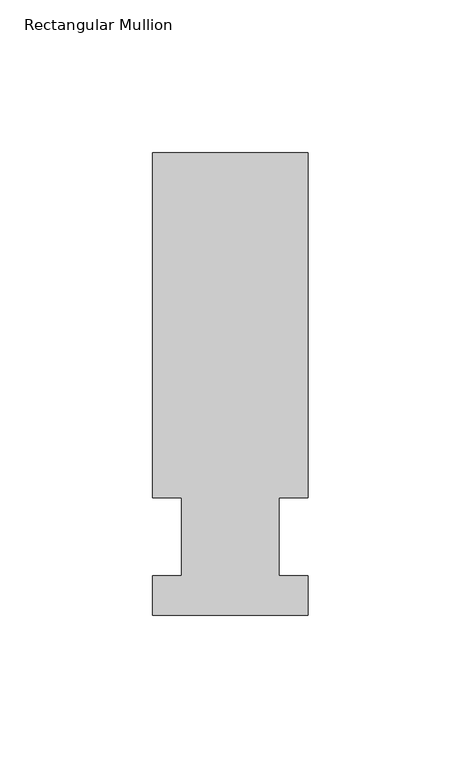
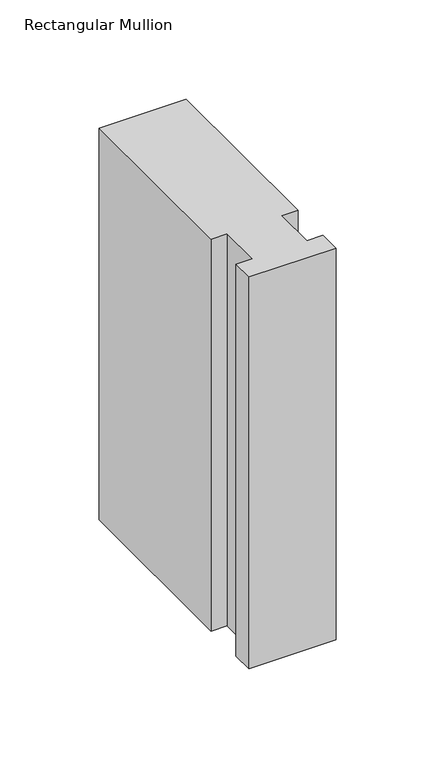
"""IFC4 building model written with IfcOpenShell, lengths in millimetres: member geometry, Rectangular Mullion."""

from ifc_helpers import new_model, si_unit, frame, origin, place, context, project, spatial, polyline, outline, extrude, source, transform, mapped, element, save


def rectangular_mullion_b72e5465(model_context):
    return source(origin(), model_context, "Body", "SweptSolid", [
        extrude(outline(polyline([(-25.4, -25.58415), (-25.4, -12.7), (-15.875, -12.7), (-15.875, 12.7), (-25.4, 12.7), (-25.4, 125.59665), (25.4, 125.59665), (25.4, 12.7), (15.875, 12.7), (15.875, -12.7), (25.4, -12.7), (25.4, -25.58415), (-25.4, -25.58415)])), frame((0.0, 0.0, -241.3), z_axis=(0.0, 0.0, 1.0), x_axis=(1.0, 0.0, 0.0)), (0.0, 0.0, 1.0), 241.3),
    ])


if __name__ == "__main__":
    model = new_model("IFC4")
    model_context = context("Model", 3, world=origin())
    ifc_project = project(units=[si_unit("LENGTHUNIT", "METRE", prefix="MILLI")], contexts=[model_context])
    site = spatial("IfcSite", under=ifc_project)
    building = spatial("IfcBuilding", under=site)
    placement = place(None, origin())
    rectangular_mullion_shape = rectangular_mullion_b72e5465(model_context)
    element("IfcMember", 1, ObjectType="Rectangular Mullion", at=placement, inside=building, context=model_context, shape_type="MappedRepresentation", body=[
        mapped(rectangular_mullion_shape, transform((0.0, 0.0, 0.0), x_axis=(1.0, 0.0, 0.0), y_axis=(0.0, 1.0, 0.0), z_axis=(0.0, 0.0, 1.0))),
    ])
    save(model, "model.ifc")
